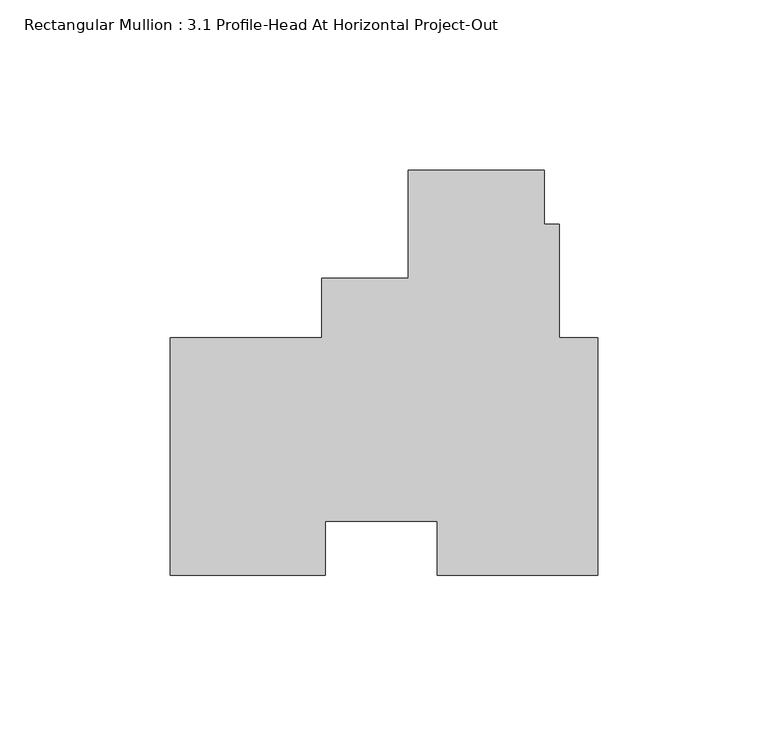
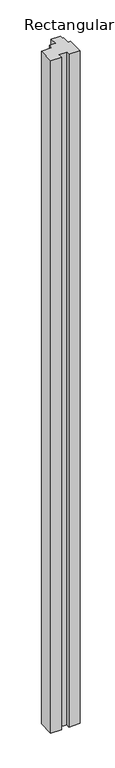
"""IFC4 building model written with IfcOpenShell, lengths in millimetres: member geometry, Rectangular Mullion : 3.1 Profile-Head At Horizontal Project-Out."""

from ifc_helpers import new_model, si_unit, frame, origin, place, context, project, spatial, polyline, outline, extrude, source, transform, mapped, element, save


def rectangular_mullion_3_1_profile_head_at_horizontal_project_dad3a059(model_context):
    return source(origin(), model_context, "Body", "SweptSolid", [
        extrude(outline(polyline([(-125.7808, -34.925), (-125.7808, 34.925), (-81.140198, 34.925), (-81.140198, 52.4002), (-55.7482204, 52.4002), (-55.7482204, 84.14837), (-15.7432204, 84.14837), (-15.7432204, 68.2742795), (-11.2982204, 68.2742795), (-11.2982204, 34.925), (0.0, 34.925), (0.0, -34.925), (-47.2929813, -34.925), (-47.2929813, -19.05), (-80.1878, -19.05), (-80.1878, -34.925), (-125.7808, -34.925)])), frame((0.0, 0.0, -3048.0), z_axis=(0.0, 0.0, 1.0), x_axis=(1.0, 0.0, 0.0)), (0.0, 0.0, 1.0), 3048.0),
    ])


if __name__ == "__main__":
    model = new_model("IFC4")
    model_context = context("Model", 3, world=origin())
    ifc_project = project(units=[si_unit("LENGTHUNIT", "METRE", prefix="MILLI")], contexts=[model_context])
    site = spatial("IfcSite", under=ifc_project)
    building = spatial("IfcBuilding", under=site)
    placement = place(None, origin())
    rectangular_mullion_3_1_profile_head_at_horizontal_project_shape = rectangular_mullion_3_1_profile_head_at_horizontal_project_dad3a059(model_context)
    element("IfcMember", 1, ObjectType="Rectangular Mullion : 3.1 Profile-Head At Horizontal Project-Out", at=placement, inside=building, context=model_context, shape_type="MappedRepresentation", body=[
        mapped(rectangular_mullion_3_1_profile_head_at_horizontal_project_shape, transform((0.0, 0.0, 0.0), x_axis=(1.0, 0.0, 0.0), y_axis=(0.0, 1.0, 0.0), z_axis=(0.0, 0.0, 1.0))),
    ])
    save(model, "model.ifc")
